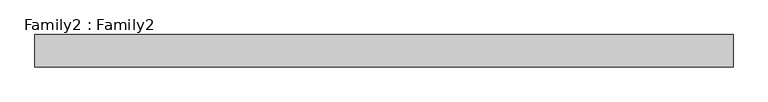
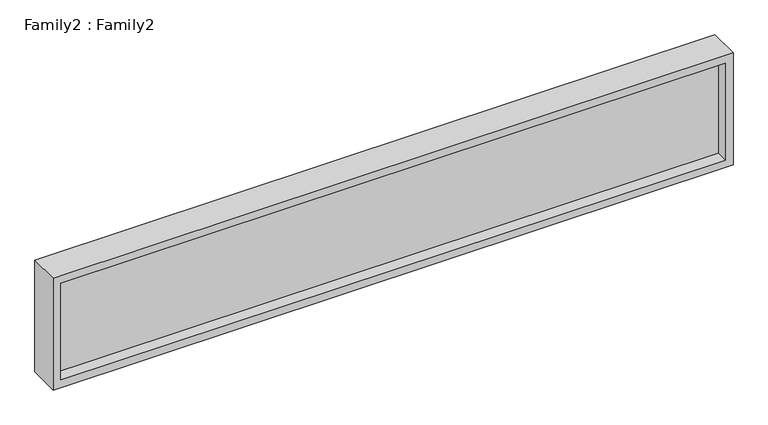
"""IFC4 building model written with IfcOpenShell, lengths in millimetres: plate geometry, Family2 : Family2."""

from ifc_helpers import new_model, si_unit, frame, origin, place, context, project, spatial, polyline, outline, extrude, source, transform, mapped, element, save


def family2_family2_691e0e2c(model_context):
    return source(origin(), model_context, "Body", "SweptSolid", [
        extrude(outline(polyline([(300.0, -862.503964), (0.0, -862.503964), (0.0, 862.503964), (300.0, 862.503964), (300.0, -862.503964)]), holes=[polyline([(20.0, -842.503964), (280.0, -842.503964), (280.0, 842.503964), (20.0, 842.503964), (20.0, -842.503964)])]), frame((0.0, -40.0, 0.0), z_axis=(0.0, 1.0, 0.0), x_axis=(0.0, 0.0, 1.0)), (0.0, 0.0, 1.0), 80.0),
        extrude(outline(polyline([(842.503964, -10.0), (-842.503964, -10.0), (-842.503964, 10.0), (842.503964, 10.0), (842.503964, -10.0)])), frame((0.0, 0.0, 20.0), z_axis=(0.0, 0.0, 1.0), x_axis=(1.0, 0.0, 0.0)), (0.0, 0.0, 1.0), 260.0),
    ])


if __name__ == "__main__":
    model = new_model("IFC4")
    model_context = context("Model", 3, world=origin())
    ifc_project = project(units=[si_unit("LENGTHUNIT", "METRE", prefix="MILLI")], contexts=[model_context])
    site = spatial("IfcSite", under=ifc_project)
    building = spatial("IfcBuilding", under=site)
    placement = place(None, origin())
    family2_family2_shape = family2_family2_691e0e2c(model_context)
    element("IfcPlate", 1, ObjectType="Family2 : Family2", at=placement, inside=building, context=model_context, shape_type="MappedRepresentation", body=[
        mapped(family2_family2_shape, transform((0.0, 0.0, 0.0), x_axis=(1.0, 0.0, 0.0), y_axis=(0.0, 1.0, 0.0), z_axis=(0.0, 0.0, 1.0))),
    ])
    save(model, "model.ifc")
